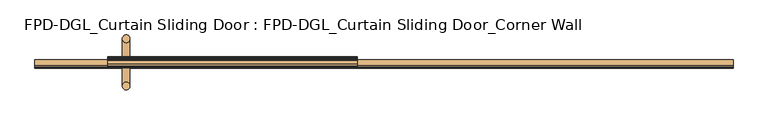
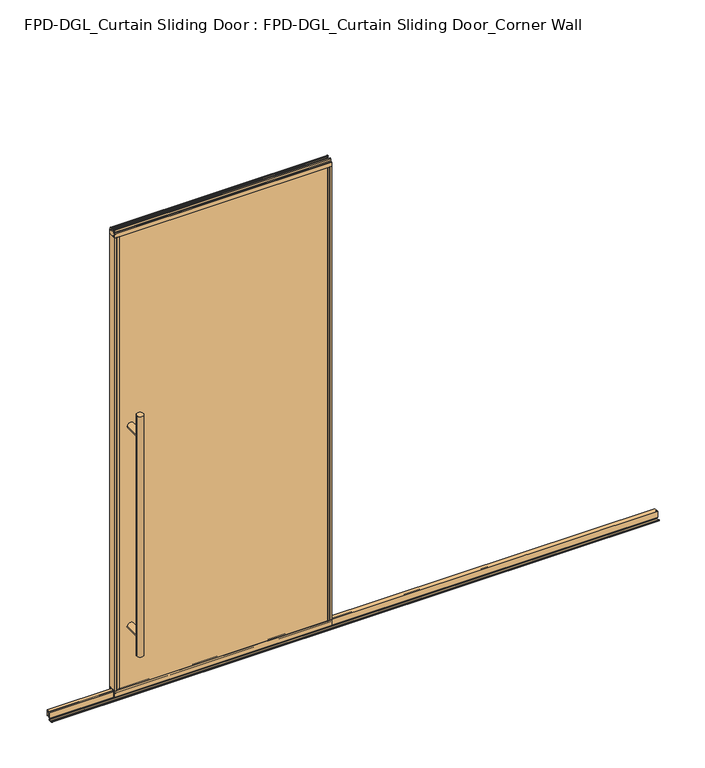
"""IFC4 building model written with IfcOpenShell, lengths in millimetres: door geometry, FPD-DGL_Curtain Sliding Door : FPD-DGL_Curtain Sliding Door_Corner Wall."""

from ifc_helpers import new_model, si_unit, point, frame, frame_2d, origin, place, context, project, spatial, polyline, circle_curve, ellipse_curve, trimmed, segment, composite_curve, outline, extrude, source, transform, mapped, element, save
from ifc_brep_helpers import plane_surface, cylinder_surface, advanced_brep


def fpd_dgl_curtain_sliding_door_fpd_dgl_curtain_sliding_door_c24e9564(model_context):
    return source(origin(), model_context, "Body", "SolidModel", [
        advanced_brep(
        [(-428.625, -3.378049, 1473.2), (-460.375, -3.378049, 1473.2), (-428.625, 193.8469566, 1473.2), (-460.375, 193.8469566, 1473.2), (-428.625, -3.378049, 254.0), (-460.375, -3.378049, 254.0), (-428.625, 193.8469566, 254.0), (-460.375, 193.8469566, 254.0), (-428.625, -3.378049, 1371.6), (-460.375, -3.378049, 1371.6), (-460.375, -3.378049, 355.6), (-428.625, -3.378049, 355.6), (-428.625, 193.8469566, 1371.6), (-428.625, 193.8469566, 355.6), (-460.375, 193.8469566, 355.6), (-460.375, 193.8469566, 1371.6)],
        [
            (0, 1, circle_curve(frame((-444.5, -3.378049, 1473.2), z_axis=(0.0, 0.0, 1.0), x_axis=(-1.0, 0.0, 0.0)), 15.875)),
            (1, 0, circle_curve(frame((-444.5, -3.378049, 1473.2), z_axis=(0.0, 0.0, 1.0), x_axis=(-1.0, 0.0, 0.0)), 15.875)),
            (2, 3, circle_curve(frame((-444.5, 193.8469566, 1473.2), z_axis=(0.0, 0.0, 1.0), x_axis=(-1.0, 0.0, 0.0)), 15.875)),
            (3, 2, circle_curve(frame((-444.5, 193.8469566, 1473.2), z_axis=(0.0, 0.0, 1.0), x_axis=(-1.0, 0.0, 0.0)), 15.875)),
            (4, 5, circle_curve(frame((-444.5, -3.378049, 254.0), z_axis=(0.0, 0.0, -1.0), x_axis=(-1.0, 0.0, 0.0)), 15.875)),
            (5, 4, circle_curve(frame((-444.5, -3.378049, 254.0), z_axis=(0.0, 0.0, -1.0), x_axis=(-1.0, 0.0, 0.0)), 15.875)),
            (6, 7, circle_curve(frame((-444.5, 193.8469566, 254.0), z_axis=(0.0, 0.0, -1.0), x_axis=(-1.0, 0.0, 0.0)), 15.875)),
            (7, 6, circle_curve(frame((-444.5, 193.8469566, 254.0), z_axis=(0.0, 0.0, -1.0), x_axis=(-1.0, 0.0, 0.0)), 15.875)),
            (0, 8),
            (8, 9, ellipse_curve(frame((-444.5, -3.378049, 1371.6), z_axis=(0.0, -0.7071067811865525, 0.7071067811865427), x_axis=(0.0, 0.7071067811865427, 0.7071067811865523)), 22.4506403, 15.875)),
            (9, 1),
            (5, 10),
            (10, 11, ellipse_curve(frame((-444.5, -3.378049, 355.6), z_axis=(0.0, -0.7071067811865525, -0.7071067811865427), x_axis=(0.0, -0.7071067811865427, 0.7071067811865523)), 22.4506403, 15.875)),
            (11, 4),
            (8, 11),
            (11, 10, ellipse_curve(frame((-444.5, -3.378049, 355.6), z_axis=(0.0, -0.7071067811865427, 0.7071067811865525), x_axis=(0.0, 0.7071067811865525, 0.7071067811865425)), 22.4506403, 15.875)),
            (10, 9),
            (9, 8, ellipse_curve(frame((-444.5, -3.378049, 1371.6), z_axis=(0.0, -0.7071067811865427, -0.7071067811865525), x_axis=(0.0, -0.7071067811865525, 0.7071067811865425)), 22.4506403, 15.875)),
            (2, 12),
            (12, 13),
            (13, 6),
            (7, 14),
            (14, 15),
            (15, 3),
            (15, 12, ellipse_curve(frame((-444.5, 193.8469566, 1371.6), z_axis=(0.0, 0.7071067811865427, 0.7071067811865525), x_axis=(0.0, -0.7071067811865525, 0.7071067811865425)), 22.4506403, 15.875)),
            (13, 14, ellipse_curve(frame((-444.5, 193.8469566, 355.6), z_axis=(0.0, 0.7071067811865427, -0.7071067811865525), x_axis=(0.0, 0.7071067811865525, 0.7071067811865425)), 22.4506403, 15.875)),
            (12, 15, ellipse_curve(frame((-444.5, 193.8469566, 1371.6), z_axis=(0.0, 0.7071067811865525, -0.7071067811865427), x_axis=(0.0, 0.7071067811865427, 0.7071067811865523)), 22.4506403, 15.875)),
            (14, 13, ellipse_curve(frame((-444.5, 193.8469566, 355.6), z_axis=(0.0, 0.7071067811865525, 0.7071067811865427), x_axis=(0.0, -0.7071067811865427, 0.7071067811865523)), 22.4506403, 15.875)),
            (9, 15),
            (12, 8),
            (10, 14),
            (13, 11),
        ],
        [
            plane_surface(frame((-345.3925993, 95.25, 1473.2), z_axis=(0.0, 0.0, 1.0), x_axis=(0.0, -1.0, 0.0))),
            plane_surface(frame((-345.3925993, 95.25, 254.0), z_axis=(0.0, 0.0, -1.0), x_axis=(0.0, -1.0, 0.0))),
            cylinder_surface(frame((-444.5, -3.378049, 1473.2), z_axis=(0.0, 0.0, 1.0), x_axis=(-1.0, 0.0, 0.0)), 15.875),
            cylinder_surface(frame((-444.5, 193.8469566, 1473.2), z_axis=(0.0, 0.0, 1.0), x_axis=(-1.0, 0.0, 0.0)), 15.875),
            cylinder_surface(frame((-444.5, 193.8469566, 1371.6), z_axis=(0.0, -1.0, 0.0), x_axis=(1.0, 0.0, 0.0)), 15.875),
            cylinder_surface(frame((-444.5, 95.25, 355.6), z_axis=(0.0, -1.0, 0.0), x_axis=(1.0, 0.0, 0.0)), 15.875),
        ],
        [
            (0, [[1, 2]]),
            (0, [[3, 4]]),
            (1, [[5, 6]]),
            (1, [[7, 8]]),
            (2, [[-1, 9, 10, 11]]),
            (2, [[-6, 12, 13, 14]]),
            (2, [[15, 16, 17, 18]]),
            (2, [[-2, -11, -17, -12, -5, -14, -15, -9]]),
            (3, [[-3, 19, 20, 21, -8, 22, 23, 24]]),
            (3, [[-4, -24, 25, -19]]),
            (3, [[-7, -21, 26, -22]]),
            (3, [[-20, 27, -23, 28]]),
            (4, [[29, -27, 30, -18]]),
            (4, [[-29, -10, -30, -25]]),
            (5, [[31, -26, 32, -13]]),
            (5, [[-31, -16, -32, -28]]),
        ],
    ),
        extrude(outline(composite_curve([segment(trimmed(circle_curve(frame_2d((90.2685794, 1.1714386)), 1.1684), [point((91.4369794, 1.1714386))], [point((90.2685794, 0.0030387))], False, "CARTESIAN"), True, "CONTINUOUS"), segment(polyline([(90.2685794, 0.0030387), (72.5901797, 0.0030387)]), True, "CONTINUOUS"), segment(trimmed(circle_curve(frame_2d((72.5901797, 1.1714386)), 1.1684), [point((72.5901797, 0.0030387))], [point((71.4217797, 1.1714386))], False, "CARTESIAN"), True, "CONTINUOUS"), segment(polyline([(71.4217797, 1.1714386), (71.4217797, 4.0416386)]), True, "CONTINUOUS"), segment(trimmed(circle_curve(frame_2d((72.5901797, 4.0416386)), 1.1684), [point((71.4217797, 4.0416386))], [point((72.5901797, 5.2100386))], False, "CARTESIAN"), True, "CONTINUOUS"), segment(polyline([(72.5901797, 5.2100386), (75.1788569, 5.2100386), (75.1788569, 4.4232339), (72.1837797, 4.4232339), (72.1837797, 0.7650387), (90.6622794, 0.7650387), (90.6622794, 4.3138948), (87.9762294, 4.3138948), (87.9762294, 5.1338386), (90.6836188, 5.1338386)]), True, "CONTINUOUS"), segment(trimmed(circle_curve(frame_2d((90.2685794, 4.0416386)), 1.1684), [point((90.6836188, 5.1338386))], [point((91.4369794, 4.0416386))], False, "CARTESIAN"), True, "CONTINUOUS"), segment(polyline([(91.4369794, 4.0416386), (91.4369794, 1.1714386)]), True, "CONTINUOUS")], self_intersect=False)), frame((-825.5, 0.0, 0.0), z_axis=(1.0, 0.0, 0.0), x_axis=(0.0, 1.0, 0.0)), (0.0, 0.0, 1.0), 2916.2375),
        extrude(outline(composite_curve([segment(polyline([(106.2146139, 41.6030387), (106.2146139, 11.6839647), (105.2146139, 11.6839647), (105.2146139, 33.5017657), (103.8247815, 33.5017657), (103.8247815, 34.3040626), (105.2146139, 34.3040626), (105.2146139, 35.6040627), (94.4146138, 35.6040627), (94.4146138, 34.3040626), (95.8044462, 34.3040626), (95.8044462, 33.5017657), (94.4146138, 33.5017657), (94.4146138, 11.6839647), (92.8146135, 11.6839647), (92.8146135, 39.1243868)]), True, "CONTINUOUS"), segment(trimmed(circle_curve(frame_2d((91.8357402, 39.1243868)), 0.9788733), [point((92.8146135, 39.1243868))], [point((91.8357402, 40.1032601))], True, "CARTESIAN"), True, "CONTINUOUS"), segment(polyline([(91.8357402, 40.1032601), (86.7469627, 40.1032601)]), True, "CONTINUOUS"), segment(trimmed(circle_curve(frame_2d((86.7469627, 39.1709995)), 0.9322606), [point((86.7469627, 40.1032601))], [point((85.814702, 39.1709995))], True, "CARTESIAN"), True, "CONTINUOUS"), segment(polyline([(85.814702, 39.1709995), (85.814702, 11.6839647), (84.3146141, 11.6839647), (84.3146141, 41.6030387), (106.2146139, 41.6030387)]), True, "CONTINUOUS")], self_intersect=False)), frame((-825.5, 0.0, 0.0), z_axis=(1.0, 0.0, 0.0), x_axis=(0.0, 1.0, 0.0)), (0.0, 0.0, 1.0), 2916.2375),
        extrude(outline(composite_curve([segment(polyline([(80.9258097, 48.6471016), (109.5741903, 48.6471016), (109.5741903, 47.6299627), (108.2071771, 47.6299627), (108.2071771, 41.3613764)]), True, "CONTINUOUS"), segment(trimmed(circle_curve(frame_2d((110.522652, 41.3613764)), 2.3154748), [point((108.2071771, 41.3613764))], [point((110.522652, 39.0459016))], True, "CARTESIAN"), True, "CONTINUOUS"), segment(polyline([(110.522652, 39.0459016), (115.5103754, 39.0522555)]), True, "CONTINUOUS"), segment(trimmed(circle_curve(frame_2d((115.412177, 39.8079016)), 0.762), [point((115.5103754, 39.0522555))], [point((116.174177, 39.8079016))], True, "CARTESIAN"), True, "CONTINUOUS"), segment(polyline([(116.174177, 39.8079016), (116.174177, 48.6471016), (117.4741745, 48.6471016), (117.4741745, 19.0059017), (108.3527622, 19.0059017), (108.3527622, 15.875), (106.4484721, 15.875), (106.4484721, 47.0470737), (84.0515279, 47.0470737), (84.0515279, 15.875), (82.1472378, 15.875), (82.1472378, 19.0059017), (73.0258255, 19.0059017), (73.0258255, 48.6471016), (74.325823, 48.6471016), (74.325823, 39.8079016)]), True, "CONTINUOUS"), segment(trimmed(circle_curve(frame_2d((75.087823, 39.8079016)), 0.762), [point((74.325823, 39.8079016))], [point((74.9896246, 39.0522555))], True, "CARTESIAN"), True, "CONTINUOUS"), segment(polyline([(74.9896246, 39.0522555), (79.977348, 39.0459016)]), True, "CONTINUOUS"), segment(trimmed(circle_curve(frame_2d((79.977348, 41.3613764)), 2.3154748), [point((79.977348, 39.0459016))], [point((82.2928229, 41.3613764))], True, "CARTESIAN"), True, "CONTINUOUS"), segment(polyline([(82.2928229, 41.3613764), (82.2928229, 47.6299627), (80.9258097, 47.6299627), (80.9258097, 48.6471016)]), True, "CONTINUOUS")], self_intersect=False)), frame((-520.7, 0.0, 0.0), z_axis=(1.0, 0.0, 0.0), x_axis=(0.0, 1.0, 0.0)), (0.0, 0.0, 1.0), 1041.4),
        extrude(outline(composite_curve([segment(polyline([(86.8500175, 2383.0590768), (86.8500175, 2381.0590808), (83.2500248, 2381.0590808), (83.2500248, 2372.5590978)]), True, "CONTINUOUS"), segment(trimmed(circle_curve(frame_2d((83.7500238, 2372.5590978)), 0.499999), [point((83.2500248, 2372.5590978))], [point((83.7500238, 2372.0590988))], True, "CARTESIAN"), True, "CONTINUOUS"), segment(polyline([(83.7500238, 2372.0590988), (106.7499762, 2372.0590988)]), True, "CONTINUOUS"), segment(trimmed(circle_curve(frame_2d((106.7499762, 2372.5590978)), 0.499999), [point((106.7499762, 2372.0590988))], [point((107.2499752, 2372.5590978))], True, "CARTESIAN"), True, "CONTINUOUS"), segment(polyline([(107.2499752, 2372.5590978), (107.2499752, 2381.0590808), (103.6499825, 2381.0590808), (103.6499825, 2383.0590768), (108.6546588, 2383.0590768)]), True, "CONTINUOUS"), segment(trimmed(circle_curve(frame_2d((108.6546588, 2382.4637643)), 0.5953125), [point((108.6546588, 2383.0590768))], [point((109.2499713, 2382.4637643))], False, "CARTESIAN"), True, "CONTINUOUS"), segment(polyline([(109.2499713, 2382.4637643), (109.2499713, 2371.0957626)]), True, "CONTINUOUS"), segment(trimmed(circle_curve(frame_2d((111.1690752, 2371.0957626)), 1.919104), [point((109.2499713, 2371.0957626))], [point((111.1690752, 2369.1766587))], True, "CARTESIAN"), True, "CONTINUOUS"), segment(polyline([(111.1690752, 2369.1766587), (116.6749567, 2369.1766587)]), True, "CONTINUOUS"), segment(trimmed(circle_curve(frame_2d((116.6749567, 2368.3766603)), 0.7999984), [point((116.6749567, 2369.1766587))], [point((117.4749551, 2368.3766603))], False, "CARTESIAN"), True, "CONTINUOUS"), segment(polyline([(117.4749551, 2368.3766603), (117.4749551, 2349.4916588), (116.1749577, 2349.4916588), (116.1749577, 2359.5916388)]), True, "CONTINUOUS"), segment(trimmed(circle_curve(frame_2d((115.6749587, 2359.5916388)), 0.499999), [point((116.1749577, 2359.5916388))], [point((115.6749587, 2360.0916377))], True, "CARTESIAN"), True, "CONTINUOUS"), segment(polyline([(115.6749587, 2360.0916377), (109.5749714, 2360.0916377), (109.5749714, 2349.4916588), (80.9250289, 2349.4916588), (80.9250289, 2360.0916377), (74.8250413, 2360.0916377)]), True, "CONTINUOUS"), segment(trimmed(circle_curve(frame_2d((74.8250413, 2359.5916388)), 0.499999), [point((74.8250413, 2360.0916377))], [point((74.3250423, 2359.5916388))], True, "CARTESIAN"), True, "CONTINUOUS"), segment(polyline([(74.3250423, 2359.5916388), (74.3250423, 2349.4916588), (73.0250446, 2349.4916588), (73.0250446, 2368.3766603)]), True, "CONTINUOUS"), segment(trimmed(circle_curve(frame_2d((73.8250432, 2368.3766603)), 0.7999985), [point((73.0250446, 2368.3766603))], [point((73.8250432, 2369.1766588))], False, "CARTESIAN"), True, "CONTINUOUS"), segment(polyline([(73.8250432, 2369.1766588), (79.3309248, 2369.1766588)]), True, "CONTINUOUS"), segment(trimmed(circle_curve(frame_2d((79.3309248, 2371.0957628)), 1.919104), [point((79.3309248, 2369.1766588))], [point((81.2500287, 2371.0957628))], True, "CARTESIAN"), True, "CONTINUOUS"), segment(polyline([(81.2500287, 2371.0957628), (81.2500287, 2382.4637643)]), True, "CONTINUOUS"), segment(trimmed(circle_curve(frame_2d((81.8453412, 2382.4637643)), 0.5953125), [point((81.2500287, 2382.4637643))], [point((81.8453412, 2383.0590768))], False, "CARTESIAN"), True, "CONTINUOUS"), segment(polyline([(81.8453412, 2383.0590768), (86.8500175, 2383.0590768)]), True, "CONTINUOUS")], self_intersect=False)), frame((-520.7, 0.0, 0.0), z_axis=(1.0, 0.0, 0.0), x_axis=(0.0, 1.0, 0.0)), (0.0, 0.0, 1.0), 1041.4),
        extrude(outline(polyline([(510.7631511, 116.1765993), (510.7631511, 109.575), (-510.7631511, 109.575), (-510.7631511, 116.1765993), (510.7631511, 116.1765993)])), frame((0.0, 0.0, 39.1580021), z_axis=(0.0, 0.0, 1.0), x_axis=(1.0, 0.0, 0.0)), (0.0, 0.0, 1.0), 2320.6670934),
        extrude(outline(polyline([(-510.7631511, 80.925), (510.7631511, 80.925), (510.7631511, 74.3234007), (-510.7631511, 74.3234007), (-510.7631511, 80.925)])), frame((0.0, 0.0, 39.1580021), z_axis=(0.0, 0.0, 1.0), x_axis=(1.0, 0.0, 0.0)), (0.0, 0.0, 1.0), 2320.6670934),
        extrude(outline(composite_curve([segment(polyline([(-520.7, 117.475), (-500.1631511, 117.475), (-500.1631511, 116.1765993), (-510.2551511, 116.1765993)]), True, "CONTINUOUS"), segment(trimmed(circle_curve(frame_2d((-510.2551511, 115.6685993)), 0.508), [point((-510.2551511, 116.1765993))], [point((-510.7631511, 115.6685993))], True, "CARTESIAN"), True, "CONTINUOUS"), segment(polyline([(-510.7631511, 115.6685993), (-510.7631511, 113.6904), (-511.9631509, 113.6904), (-511.9631509, 116.1702), (-518.8965999, 116.1702), (-518.8965999, 104.495198), (-511.9631509, 104.495198), (-511.9631509, 109.575), (-500.1631511, 109.575), (-500.1631511, 80.925), (-511.9631509, 80.925), (-511.9631509, 86.004802), (-518.8965999, 86.004802), (-518.8965999, 74.3298), (-511.9631509, 74.3298), (-511.9631509, 76.8096), (-510.7631511, 76.8096), (-510.7631511, 74.8525937)]), True, "CONTINUOUS"), segment(trimmed(circle_curve(frame_2d((-510.2339574, 74.8525937)), 0.5291937), [point((-510.7631511, 74.8525937))], [point((-510.2339574, 74.3234))], True, "CARTESIAN"), True, "CONTINUOUS"), segment(polyline([(-510.2339574, 74.3234), (-500.1631511, 74.3234), (-500.1631511, 73.025), (-520.7, 73.025), (-520.7, 117.475)]), True, "CONTINUOUS")], self_intersect=False)), frame((0.0, 0.0, 48.6471016), z_axis=(0.0, 0.0, 1.0), x_axis=(1.0, 0.0, 0.0)), (0.0, 0.0, 1.0), 2300.8445572),
        extrude(outline(composite_curve([segment(polyline([(520.7, 117.475), (520.7, 73.025), (500.163151, 73.025), (500.163151, 74.3234), (510.2339574, 74.3234)]), True, "CONTINUOUS"), segment(trimmed(circle_curve(frame_2d((510.2339574, 74.8525937)), 0.5291937), [point((510.2339574, 74.3234))], [point((510.7631511, 74.8525937))], True, "CARTESIAN"), True, "CONTINUOUS"), segment(polyline([(510.7631511, 74.8525937), (510.7631511, 76.8096), (511.9631509, 76.8096), (511.9631509, 74.3298), (518.8965999, 74.3298), (518.8965999, 86.004802), (511.9631509, 86.004802), (511.9631509, 80.925), (500.1631511, 80.925), (500.1631511, 109.575), (511.9631509, 109.575), (511.9631509, 104.495198), (518.8965999, 104.495198), (518.8965999, 116.1702), (511.9631509, 116.1702), (511.9631509, 113.6904), (510.7631511, 113.6904), (510.7631511, 115.6685993)]), True, "CONTINUOUS"), segment(trimmed(circle_curve(frame_2d((510.2551511, 115.6685993)), 0.508), [point((510.7631511, 115.6685993))], [point((510.2551511, 116.1765993))], True, "CARTESIAN"), True, "CONTINUOUS"), segment(polyline([(510.2551511, 116.1765993), (500.1631511, 116.1765993), (500.1631511, 117.475), (520.7, 117.475)]), True, "CONTINUOUS")], self_intersect=False)), frame((0.0, 0.0, 48.6471016), z_axis=(0.0, 0.0, 1.0), x_axis=(1.0, 0.0, 0.0)), (0.0, 0.0, 1.0), 2300.8445572),
    ])


if __name__ == "__main__":
    model = new_model("IFC4")
    model_context = context("Model", 3, world=origin())
    ifc_project = project(units=[si_unit("LENGTHUNIT", "METRE", prefix="MILLI")], contexts=[model_context])
    site = spatial("IfcSite", under=ifc_project)
    building = spatial("IfcBuilding", under=site)
    placement = place(None, origin())
    fpd_dgl_curtain_sliding_door_fpd_dgl_curtain_sliding_door_shape = fpd_dgl_curtain_sliding_door_fpd_dgl_curtain_sliding_door_c24e9564(model_context)
    element("IfcDoor", 1, ObjectType="FPD-DGL_Curtain Sliding Door : FPD-DGL_Curtain Sliding Door_Corner Wall", at=placement, inside=building, context=model_context, shape_type="MappedRepresentation", body=[
        mapped(fpd_dgl_curtain_sliding_door_fpd_dgl_curtain_sliding_door_shape, transform((0.0, 0.0, 0.0), x_axis=(1.0, 0.0, 0.0), y_axis=(0.0, 1.0, 0.0), z_axis=(0.0, 0.0, 1.0))),
    ])
    save(model, "model.ifc")
